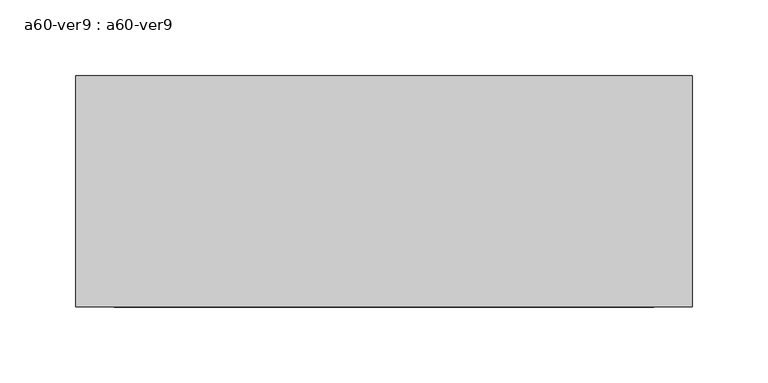
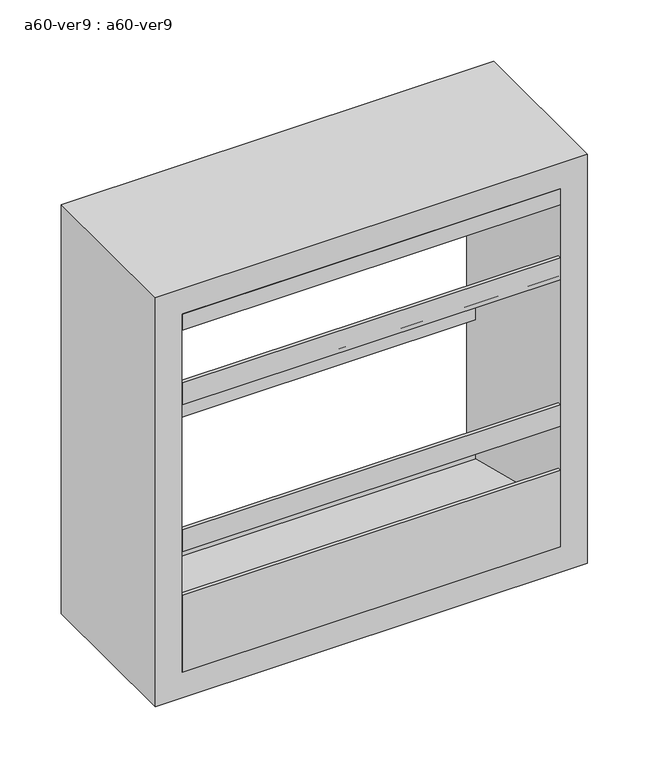
"""IFC4 building model written with IfcOpenShell, lengths in millimetres: proxy geometry, a60-ver9 : a60-ver9."""

from ifc_helpers import new_model, si_unit, frame, origin, place, context, project, spatial, polyline, outline, extrude, source, transform, mapped, element, save


def a60_ver9_a60_ver9_43829e86(model_context):
    return source(origin(), model_context, "Body", "SweptSolid", [
        extrude(outline(polyline([(-73.025, 1309.6657367), (-73.025, 1289.49979), (65.3071116, 1183.3538275), (65.3071116, 1165.5154476), (73.025, 1159.5933035), (73.025, 1184.3079125), (76.2, 1184.3079125), (76.2, 1155.7), (72.883344, 1155.7), (62.1321116, 1163.9497108), (62.1321116, 1181.7880908), (-76.2, 1287.9340533), (-76.2, 1309.6657367), (-73.025, 1309.6657367)])), frame((-177.8, 0.0, 0.0), z_axis=(1.0, 0.0, 0.0), x_axis=(0.0, 1.0, 0.0)), (0.0, 0.0, 1.0), 355.6),
        extrude(outline(polyline([(-73.025, 1455.7157367), (-73.025, 1435.54979), (65.3071116, 1329.4038275), (65.3071116, 1311.5654476), (73.025, 1305.6433035), (73.025, 1330.3579125), (76.2, 1330.3579125), (76.2, 1301.75), (72.883344, 1301.75), (62.1321116, 1309.9997108), (62.1321116, 1327.8380908), (-76.2, 1433.9840533), (-76.2, 1455.7157367), (-73.025, 1455.7157367)])), frame((-177.8, 0.0, 0.0), z_axis=(1.0, 0.0, 0.0), x_axis=(0.0, 1.0, 0.0)), (0.0, 0.0, 1.0), 355.6),
        extrude(outline(polyline([(0.0, 1508.125), (76.2, 1447.8), (71.0848317, 1447.8), (-5.1151683, 1508.125), (-76.2, 1508.125), (-76.2, 1524.0), (76.2, 1524.0), (0.0, 1508.125)])), frame((-177.8, 0.0, 0.0), z_axis=(1.0, 0.0, 0.0), x_axis=(0.0, 1.0, 0.0)), (0.0, 0.0, 1.0), 355.6),
        extrude(outline(polyline([(76.2, 1168.4), (-76.2, 1168.4), (-76.2, 1244.6), (-73.025, 1244.6), (-73.025, 1206.5), (76.2, 1168.4)])), frame((-177.8, 0.0, 0.0), z_axis=(1.0, 0.0, 0.0), x_axis=(0.0, 1.0, 0.0)), (0.0, 0.0, 1.0), 355.6),
        extrude(outline(polyline([(1143.0, -203.2), (1143.0, 203.2), (1549.4, 203.2), (1549.4, -203.2), (1143.0, -203.2)]), holes=[polyline([(1168.4, -177.8), (1524.0, -177.8), (1524.0, 177.8), (1168.4, 177.8), (1168.4, -177.8)])]), frame((0.0, -76.2, 0.0), z_axis=(0.0, 1.0, 0.0), x_axis=(0.0, 0.0, 1.0)), (0.0, 0.0, 1.0), 152.4),
    ])


if __name__ == "__main__":
    model = new_model("IFC4")
    model_context = context("Model", 3, world=origin())
    ifc_project = project(units=[si_unit("LENGTHUNIT", "METRE", prefix="MILLI")], contexts=[model_context])
    site = spatial("IfcSite", under=ifc_project)
    building = spatial("IfcBuilding", under=site)
    placement = place(None, origin())
    a60_ver9_a60_ver9_shape = a60_ver9_a60_ver9_43829e86(model_context)
    element("IfcBuildingElementProxy", 1, Name="a60-ver9 : a60-ver9", ObjectType="a60-ver9 : a60-ver9", at=placement, inside=building, context=model_context, shape_type="MappedRepresentation", body=[
        mapped(a60_ver9_a60_ver9_shape, transform((0.0, 0.0, 0.0), x_axis=(1.0, 0.0, 0.0), y_axis=(0.0, 1.0, 0.0), z_axis=(0.0, 0.0, 1.0))),
    ])
    save(model, "model.ifc")
